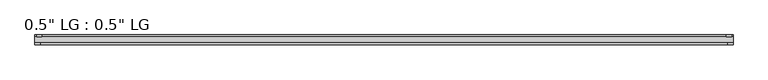
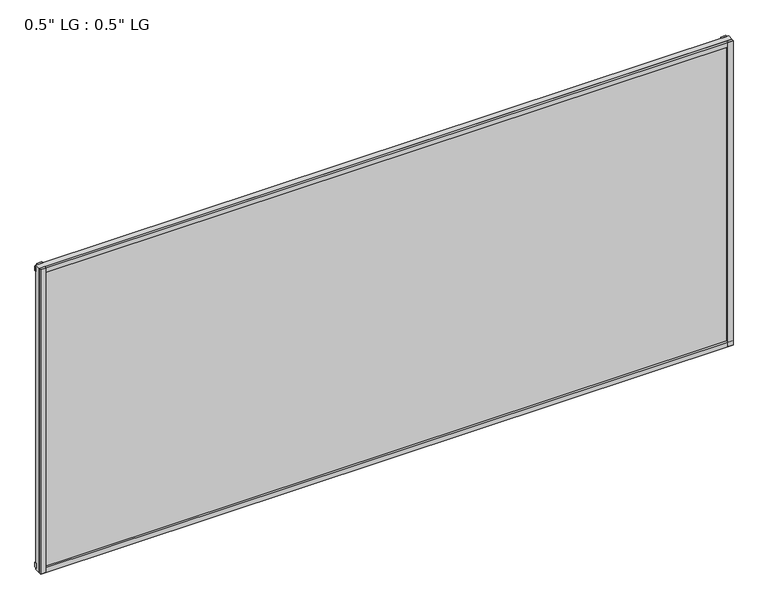
"""IFC4 building model written with IfcOpenShell, lengths in millimetres: plate geometry."""

from ifc_helpers import new_model, si_unit, frame, origin, origin_with_axes, place, context, project, spatial, polyline, outline, extrude, source, transform, mapped, element, save


def plate_bada5884(model_context):
    return source(origin(), model_context, "Body", "SweptSolid", [
        extrude(outline(polyline([(800.6029961, -33.3271813), (800.6029961, -38.0007813), (788.4653165, -38.0007813), (788.4653165, -33.3271813), (800.6029961, -33.3271813)])), origin_with_axes(), (0.0, 0.0, 1.0), 744.6980689),
        extrude(outline(polyline([(797.0716424, -15.5217813), (797.0716424, -19.7127813), (785.0592185, -19.7127813), (785.0592185, -15.5217813), (797.0716424, -15.5217813)])), origin_with_axes(), (0.0, 0.0, 1.0), 744.6980689),
        extrude(outline(polyline([(-788.3124181, -38.0007812), (-800.6029961, -38.0007812), (-800.6029961, -33.3271813), (-788.3124181, -33.3271813), (-788.3124181, -38.0007812)])), origin_with_axes(), (0.0, 0.0, 1.0), 744.6980689),
        extrude(outline(polyline([(-784.3531802, -19.7127813), (-796.6437581, -19.7127813), (-796.6437581, -15.5217812), (-784.3531802, -15.5217812), (-784.3531802, -19.7127813)])), origin_with_axes(), (0.0, 0.0, 1.0), 744.6980689),
        extrude(outline(polyline([(800.6029961, -33.3271813), (800.6029961, -38.0007813), (-800.6029961, -38.0007812), (-800.6029961, -33.3271813), (800.6029961, -33.3271813)])), origin_with_axes(), (0.0, 0.0, 1.0), 11.1693096),
        extrude(outline(polyline([(800.6029961, -15.3590708), (800.6029961, -20.1364307), (-800.6029961, -20.1364307), (-800.6029961, -15.3590708), (800.6029961, -15.3590708)])), frame((0.0, 0.0, 3.848913), z_axis=(0.0, 0.0, 1.0), x_axis=(1.0, 0.0, 0.0)), (0.0, 0.0, 1.0), 11.1693096),
        extrude(outline(polyline([(800.6029961, -33.3271813), (800.6029961, -38.0007813), (-800.6029961, -38.0007812), (-800.6029961, -33.3271813), (800.6029961, -33.3271813)])), frame((0.0, 0.0, 733.516963), z_axis=(0.0, 0.0, 1.0), x_axis=(1.0, 0.0, 0.0)), (0.0, 0.0, 1.0), 11.1811058),
        extrude(outline(polyline([(800.6029961, -15.5217813), (800.6029961, -19.7127813), (-800.6029961, -19.7127812), (-800.6029961, -15.5217813), (800.6029961, -15.5217813)])), frame((0.0, 0.0, 728.9578163), z_axis=(0.0, 0.0, 1.0), x_axis=(1.0, 0.0, 0.0)), (0.0, 0.0, 1.0), 11.1811058),
        extrude(outline(polyline([(800.6029961, -33.3271812), (-800.6029961, -33.3271812), (-800.6029961, -19.7127812), (800.6029961, -19.7127812), (800.6029961, -33.3271812)])), origin_with_axes(), (0.0, 0.0, 1.0), 744.6980689),
    ])


if __name__ == "__main__":
    model = new_model("IFC4")
    model_context = context("Model", 3, world=origin())
    ifc_project = project(units=[si_unit("LENGTHUNIT", "METRE", prefix="MILLI")], contexts=[model_context])
    site = spatial("IfcSite", under=ifc_project)
    building = spatial("IfcBuilding", under=site)
    placement = place(None, origin())
    plate_shape = plate_bada5884(model_context)
    element("IfcPlate", 1, ObjectType="0.5\" LG : 0.5\" LG", at=placement, inside=building, context=model_context, shape_type="MappedRepresentation", body=[
        mapped(plate_shape, transform((0.0, 0.0, 0.0), x_axis=(1.0, 0.0, 0.0), y_axis=(0.0, 1.0, 0.0), z_axis=(0.0, 0.0, 1.0))),
    ])
    save(model, "model.ifc")
